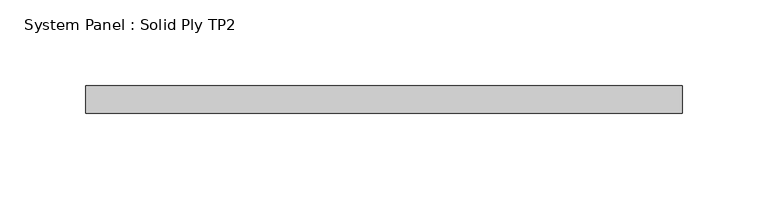
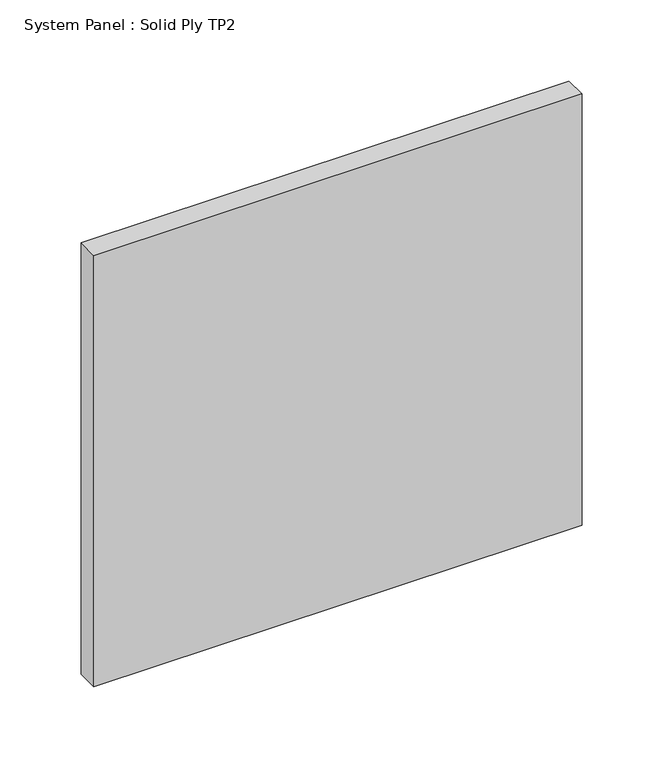
"""IFC4 building model written with IfcOpenShell, lengths in millimetres: plate geometry, System Panel : Solid Ply TP2."""

from ifc_helpers import new_model, si_unit, origin, origin_with_axes, place, context, project, spatial, polyline, outline, extrude, source, transform, mapped, element, save


def system_panel_solid_ply_tp2_51c35d2c(model_context):
    return source(origin(), model_context, "Body", "SweptSolid", [
        extrude(outline(polyline([(174.0051815, -23.0), (-174.0051815, -23.0), (-174.0051815, -7.0), (174.0051815, -7.0), (174.0051815, -23.0)])), origin_with_axes(), (0.0, 0.0, 1.0), 325.0),
    ])


if __name__ == "__main__":
    model = new_model("IFC4")
    model_context = context("Model", 3, world=origin())
    ifc_project = project(units=[si_unit("LENGTHUNIT", "METRE", prefix="MILLI")], contexts=[model_context])
    site = spatial("IfcSite", under=ifc_project)
    building = spatial("IfcBuilding", under=site)
    placement = place(None, origin())
    system_panel_solid_ply_tp2_shape = system_panel_solid_ply_tp2_51c35d2c(model_context)
    element("IfcPlate", 1, ObjectType="System Panel : Solid Ply TP2", at=placement, inside=building, context=model_context, shape_type="MappedRepresentation", body=[
        mapped(system_panel_solid_ply_tp2_shape, transform((0.0, 0.0, 0.0), x_axis=(1.0, 0.0, 0.0), y_axis=(0.0, 1.0, 0.0), z_axis=(0.0, 0.0, 1.0))),
    ])
    save(model, "model.ifc")
